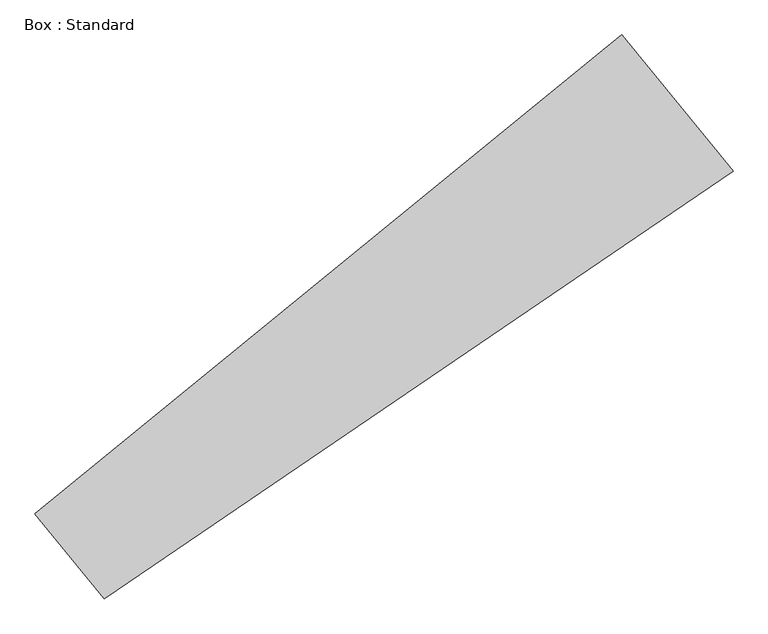
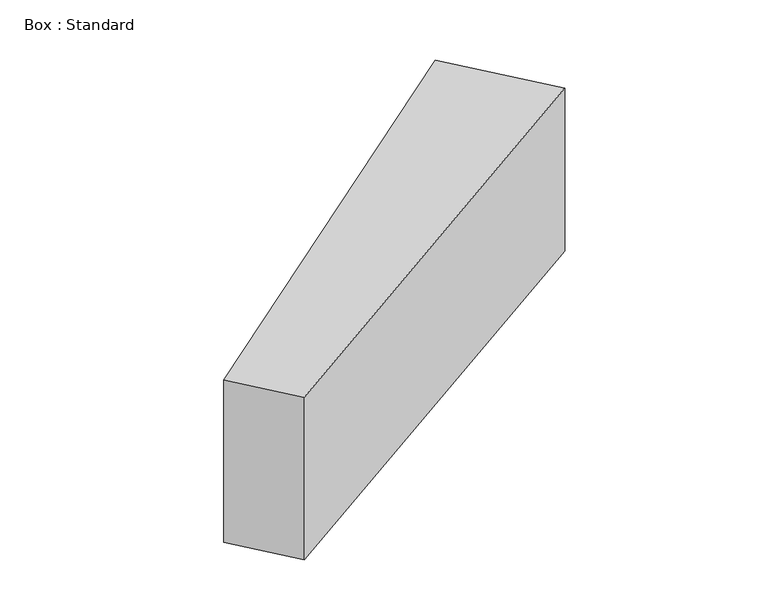
"""IFC4 building model written with IfcOpenShell, lengths in millimetres: plate geometry, Box : Standard."""

from ifc_helpers import new_model, si_unit, frame, origin, place, context, project, spatial, polyline, outline, extrude, source, transform, mapped, element, save


def box_standard_c98cc5bf(model_context):
    return source(origin(), model_context, "Body", "SweptSolid", [
        extrude(outline(polyline([(3272.2800563, 3272.2800563), (2937.4065806, 3682.2958729), (5770.2431328, 5995.9671609), (6308.0702302, 5337.4569099), (3272.2800563, 3272.2800563)])), frame((0.0, 0.0, -1219.2), z_axis=(0.0, 0.0, 1.0), x_axis=(1.0, 0.0, 0.0)), (0.0, 0.0, 1.0), 1219.2),
    ])


if __name__ == "__main__":
    model = new_model("IFC4")
    model_context = context("Model", 3, world=origin())
    ifc_project = project(units=[si_unit("LENGTHUNIT", "METRE", prefix="MILLI")], contexts=[model_context])
    site = spatial("IfcSite", under=ifc_project)
    building = spatial("IfcBuilding", under=site)
    placement = place(None, origin())
    box_standard_shape = box_standard_c98cc5bf(model_context)
    element("IfcPlate", 1, ObjectType="Box : Standard", at=placement, inside=building, context=model_context, shape_type="MappedRepresentation", body=[
        mapped(box_standard_shape, transform((0.0, 0.0, 0.0), x_axis=(1.0, 0.0, 0.0), y_axis=(0.0, 1.0, 0.0), z_axis=(0.0, 0.0, 1.0))),
    ])
    save(model, "model.ifc")
